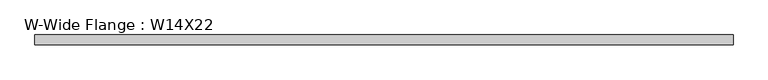
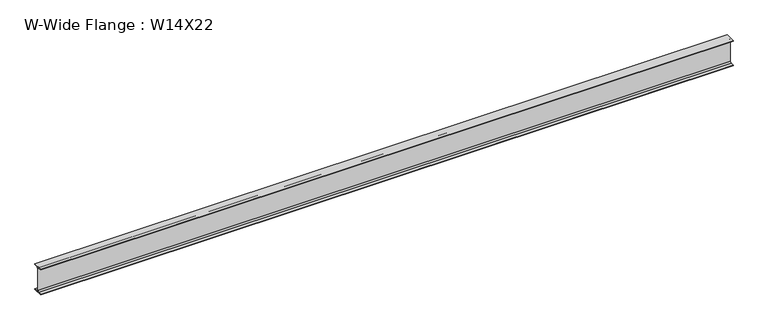
"""IFC4 building model written with IfcOpenShell, lengths in millimetres: beam geometry, W-Wide Flange : W14X22."""

from ifc_helpers import new_model, si_unit, point, frame, frame_2d, origin, place, context, project, spatial, polyline, circle_curve, trimmed, segment, composite_curve, outline, extrude, source, transform, mapped, element, save


def w_wide_flange_w14x22_c3350e20(model_context):
    return source(origin(), model_context, "Body", "SweptSolid", [
        extrude(outline(composite_curve([segment(polyline([(63.5, -165.4472656), (63.5, -173.9800781), (-63.5, -173.9800781), (-63.5, -165.4472656), (-21.3816406, -165.4472656)]), True, "CONTINUOUS"), segment(trimmed(circle_curve(frame_2d((-21.3816406, -146.9925781)), 18.4546875), [point((-21.3816406, -165.4472656))], [point((-2.9269531, -146.9925781))], True, "CARTESIAN"), True, "CONTINUOUS"), segment(polyline([(-2.9269531, -146.9925781), (-2.9269531, 146.9925781)]), True, "CONTINUOUS"), segment(trimmed(circle_curve(frame_2d((-21.3816406, 146.9925781)), 18.4546875), [point((-2.9269531, 146.9925781))], [point((-21.3816406, 165.4472656))], True, "CARTESIAN"), True, "CONTINUOUS"), segment(polyline([(-21.3816406, 165.4472656), (-63.5, 165.4472656), (-63.5, 173.9800781), (63.5, 173.9800781), (63.5, 165.4472656), (21.3816406, 165.4472656)]), True, "CONTINUOUS"), segment(trimmed(circle_curve(frame_2d((21.3816406, 146.9925781)), 18.4546875), [point((21.3816406, 165.4472656))], [point((2.9269531, 146.9925781))], True, "CARTESIAN"), True, "CONTINUOUS"), segment(polyline([(2.9269531, 146.9925781), (2.9269531, -146.9925781)]), True, "CONTINUOUS"), segment(trimmed(circle_curve(frame_2d((21.3816406, -146.9925781)), 18.4546875), [point((2.9269531, -146.9925781))], [point((21.3816406, -165.4472656))], True, "CARTESIAN"), True, "CONTINUOUS"), segment(polyline([(21.3816406, -165.4472656), (63.5, -165.4472656)]), True, "CONTINUOUS")], self_intersect=False)), frame((-4455.1699219, 0.0, 0.0), z_axis=(1.0, 0.0, 0.0), x_axis=(0.0, 1.0, 0.0)), (0.0, 0.0, 1.0), 8963.6203125),
    ])


if __name__ == "__main__":
    model = new_model("IFC4")
    model_context = context("Model", 3, world=origin())
    ifc_project = project(units=[si_unit("LENGTHUNIT", "METRE", prefix="MILLI")], contexts=[model_context])
    site = spatial("IfcSite", under=ifc_project)
    building = spatial("IfcBuilding", under=site)
    placement = place(None, origin())
    w_wide_flange_w14x22_shape = w_wide_flange_w14x22_c3350e20(model_context)
    element("IfcBeam", 1, ObjectType="W-Wide Flange : W14X22", at=placement, inside=building, context=model_context, shape_type="MappedRepresentation", body=[
        mapped(w_wide_flange_w14x22_shape, transform((0.0, 0.0, 0.0), x_axis=(1.0, 0.0, 0.0), y_axis=(0.0, 1.0, 0.0), z_axis=(0.0, 0.0, 1.0))),
    ])
    save(model, "model.ifc")
